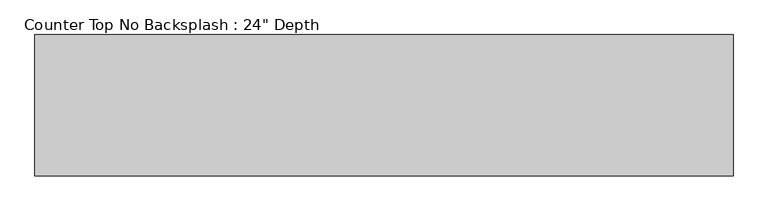
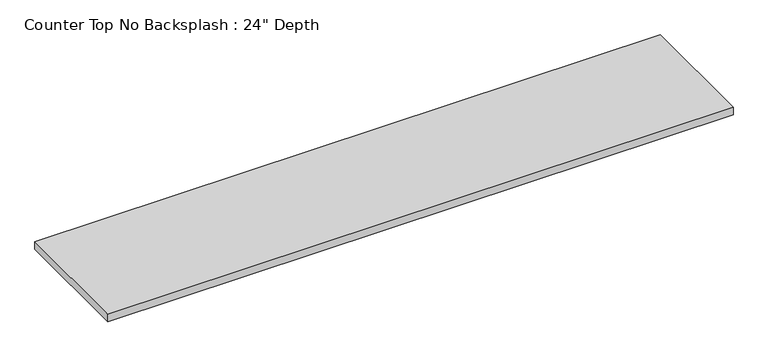
"""IFC4 building model written with IfcOpenShell, lengths in millimetres: furniture geometry."""

from ifc_helpers import new_model, si_unit, frame, origin, place, context, project, spatial, polyline, outline, extrude, source, transform, mapped, element, save


def furniture_faab6f10(model_context):
    return source(origin(), model_context, "Body", "SweptSolid", [
        extrude(outline(polyline([(1938.0252049, 0.0), (1938.0252049, -635.0), (-1200.4622951, -635.0), (-1200.4622951, 0.0), (1938.0252049, 0.0)])), frame((0.0, 0.0, 876.3), z_axis=(0.0, 0.0, 1.0), x_axis=(1.0, 0.0, 0.0)), (0.0, 0.0, 1.0), 38.1),
    ])


if __name__ == "__main__":
    model = new_model("IFC4")
    model_context = context("Model", 3, world=origin())
    ifc_project = project(units=[si_unit("LENGTHUNIT", "METRE", prefix="MILLI")], contexts=[model_context])
    site = spatial("IfcSite", under=ifc_project)
    building = spatial("IfcBuilding", under=site)
    placement = place(None, origin())
    furniture_shape = furniture_faab6f10(model_context)
    element("IfcFurniture", 1, ObjectType="Counter Top No Backsplash : 24\" Depth", at=placement, inside=building, context=model_context, shape_type="MappedRepresentation", body=[
        mapped(furniture_shape, transform((0.0, 0.0, 0.0), x_axis=(1.0, 0.0, 0.0), y_axis=(0.0, 1.0, 0.0), z_axis=(0.0, 0.0, 1.0))),
    ])
    save(model, "model.ifc")
